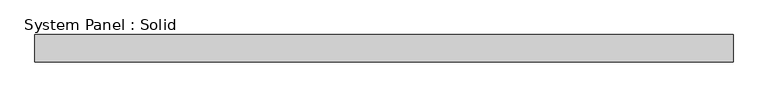
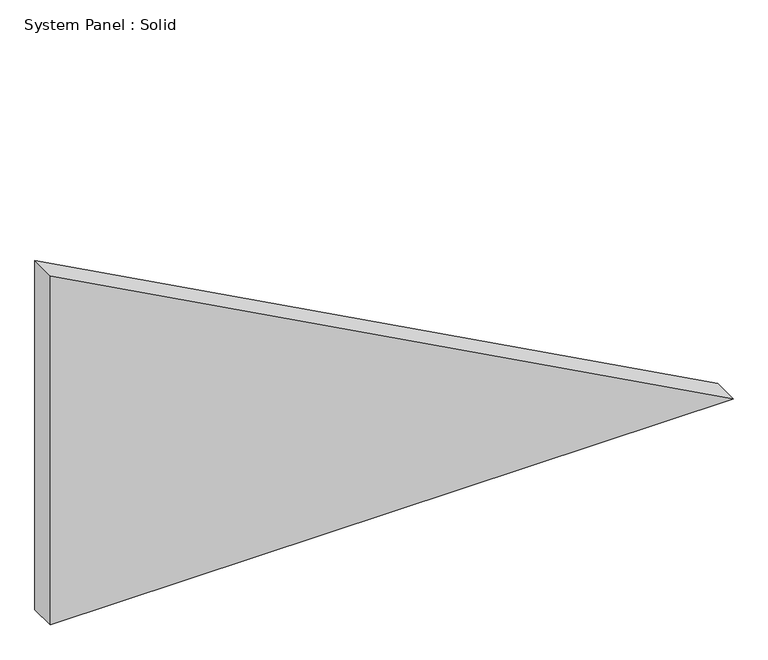
"""IFC4 building model written with IfcOpenShell, lengths in millimetres: plate geometry, System Panel : Solid."""

from ifc_helpers import new_model, si_unit, frame, origin, place, context, project, spatial, polyline, outline, extrude, source, transform, mapped, element, save


def system_panel_solid_51e1cceb(model_context):
    return source(origin(), model_context, "Body", "SweptSolid", [
        extrude(outline(polyline([(0.0, -761.1882541), (0.0, 761.1882541), (823.0340154, -761.1882541), (0.0, -761.1882541)])), frame((0.0, -10.5, 0.0), z_axis=(0.0, 1.0, 0.0), x_axis=(0.0, 0.0, 1.0)), (0.0, 0.0, 1.0), 60.0),
    ])


if __name__ == "__main__":
    model = new_model("IFC4")
    model_context = context("Model", 3, world=origin())
    ifc_project = project(units=[si_unit("LENGTHUNIT", "METRE", prefix="MILLI")], contexts=[model_context])
    site = spatial("IfcSite", under=ifc_project)
    building = spatial("IfcBuilding", under=site)
    placement = place(None, origin())
    system_panel_solid_shape = system_panel_solid_51e1cceb(model_context)
    element("IfcPlate", 1, ObjectType="System Panel : Solid", at=placement, inside=building, context=model_context, shape_type="MappedRepresentation", body=[
        mapped(system_panel_solid_shape, transform((0.0, 0.0, 0.0), x_axis=(1.0, 0.0, 0.0), y_axis=(0.0, 1.0, 0.0), z_axis=(0.0, 0.0, 1.0))),
    ])
    save(model, "model.ifc")
